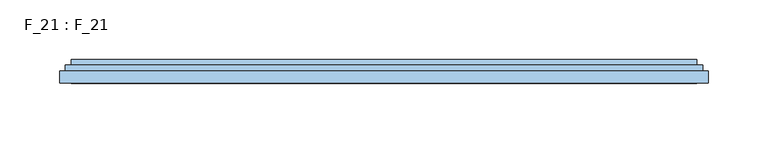
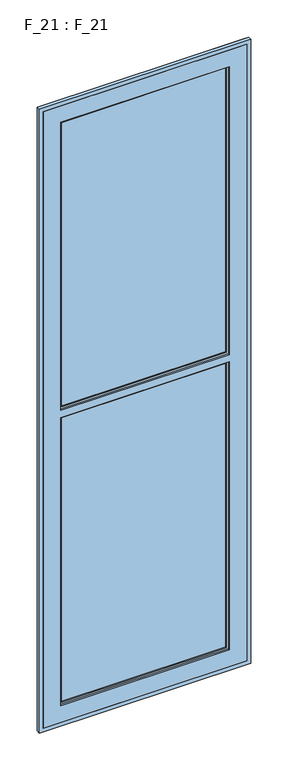
"""IFC4 building model written with IfcOpenShell, lengths in millimetres: window geometry, F_21 : F_21."""

from ifc_helpers import new_model, si_unit, frame, origin, place, context, project, spatial, polyline, outline, extrude, faceted_brep, source, transform, mapped, element, save


def f_21_f_21_17c389b3(model_context):
    return source(origin(), model_context, "Body", "SolidModel", [
        faceted_brep([(-262.5, 105.0, 2460.0), (-262.5, 105.0, 780.0), (-262.5, 100.0, 780.0), (-262.5, 100.0, 2460.0), (262.5, 100.0, 2460.0), (262.5, 105.0, 2460.0), (262.5, 105.0, 780.0), (-217.5, 105.0, 825.0), (217.5, 105.0, 825.0), (217.5, 105.0, 1610.0), (-217.5, 105.0, 1610.0), (-217.5, 105.0, 2415.0), (-217.5, 105.0, 1630.0), (217.5, 105.0, 1630.0), (217.5, 105.0, 2415.0), (262.5, 100.0, 780.0), (267.5, 100.0, 2465.0), (267.5, 100.0, 775.0), (-267.5, 100.0, 775.0), (-267.5, 100.0, 2465.0), (-267.5, 90.0, 775.0), (-267.5, 90.0, 2465.0), (267.5, 90.0, 2465.0), (267.5, 90.0, 775.0), (262.5, 90.0, 2460.0), (262.5, 90.0, 780.0), (-262.5, 90.0, 780.0), (-262.5, 90.0, 2460.0), (-262.5, 85.0, 780.0), (-262.5, 85.0, 2460.0), (262.5, 85.0, 2460.0), (262.5, 85.0, 780.0), (217.5, 85.0, 2415.0), (217.5, 85.0, 1630.0), (-217.5, 85.0, 1630.0), (-217.5, 85.0, 2415.0), (217.5, 85.0, 825.0), (-217.5, 85.0, 825.0), (-217.5, 85.0, 1610.0), (217.5, 85.0, 1610.0), (-217.5, 90.0, 2415.0), (217.5, 90.0, 2415.0), (-212.5, 100.0, 2410.0), (212.5, 100.0, 2410.0), (212.5, 90.0, 2410.0), (-212.5, 90.0, 2410.0), (217.5, 100.0, 2415.0), (-217.5, 100.0, 2415.0), (217.5, 90.0, 1610.0), (217.5, 90.0, 825.0), (217.5, 90.0, 1630.0), (212.5, 100.0, 1635.0), (212.5, 90.0, 1635.0), (212.5, 90.0, 830.0), (212.5, 90.0, 1605.0), (212.5, 100.0, 1605.0), (212.5, 100.0, 830.0), (217.5, 100.0, 1630.0), (217.5, 100.0, 1610.0), (217.5, 100.0, 825.0), (-217.5, 90.0, 825.0), (-212.5, 100.0, 830.0), (-212.5, 90.0, 830.0), (-217.5, 100.0, 825.0), (-217.5, 90.0, 1630.0), (-217.5, 90.0, 1610.0), (-212.5, 90.0, 1605.0), (-212.5, 90.0, 1635.0), (-212.5, 100.0, 1635.0), (-212.5, 100.0, 1605.0), (-217.5, 100.0, 1630.0), (-217.5, 100.0, 1610.0)], [[[0, 1, 2, 3]], [[3, 4, 5, 0]], [[5, 6, 1, 0], [7, 8, 9, 10], [11, 12, 13, 14]], [[4, 15, 6, 5]], [[16, 17, 18, 19], [3, 2, 15, 4]], [[19, 18, 20, 21]], [[21, 22, 16, 19]], [[22, 23, 17, 16]], [[21, 20, 23, 22], [24, 25, 26, 27]], [[27, 26, 28, 29]], [[29, 30, 24, 27]], [[30, 31, 25, 24]], [[29, 28, 31, 30], [32, 33, 34, 35], [36, 37, 38, 39]], [[40, 41, 32, 35]], [[42, 43, 44, 45]], [[11, 14, 46, 47]], [[36, 39, 48, 49]], [[50, 33, 32, 41]], [[43, 51, 52, 44]], [[53, 54, 55, 56]], [[14, 13, 57, 46]], [[58, 9, 8, 59]], [[49, 60, 37, 36]], [[56, 61, 62, 53]], [[8, 7, 63, 59]], [[15, 2, 1, 6]], [[23, 20, 18, 17]], [[31, 28, 26, 25]], [[35, 34, 64, 40]], [[65, 38, 37, 60]], [[49, 48, 65, 60], [53, 62, 66, 54]], [[40, 64, 50, 41], [45, 44, 52, 67]], [[45, 67, 68, 42]], [[61, 69, 66, 62]], [[46, 57, 70, 47], [42, 68, 51, 43]], [[63, 71, 58, 59], [56, 55, 69, 61]], [[7, 10, 71, 63]], [[70, 12, 11, 47]], [[12, 70, 57, 13]], [[52, 51, 68, 67]], [[33, 50, 64, 34]], [[38, 65, 48, 39]], [[66, 69, 55, 54]], [[9, 58, 71, 10]]]),
        extrude(outline(polyline([(212.5, 97.0), (212.5, 93.0), (-212.5, 93.0), (-212.5, 97.0), (212.5, 97.0)])), frame((0.0, 0.0, 1635.0), z_axis=(0.0, 0.0, 1.0), x_axis=(1.0, 0.0, 0.0)), (0.0, 0.0, 1.0), 775.0),
        faceted_brep([(272.5, 95.0, 770.0), (272.5, 95.0, 2470.0), (272.5, 85.0, 2470.0), (272.5, 85.0, 770.0), (-272.5, 85.0, 770.0), (-272.5, 85.0, 2470.0), (262.5, 85.0, 780.0), (-262.5, 85.0, 780.0), (-262.5, 85.0, 2460.0), (262.5, 85.0, 2460.0), (-272.5, 95.0, 2470.0), (-272.5, 95.0, 770.0), (-267.5, 95.0, 775.0), (267.5, 95.0, 775.0), (267.5, 95.0, 2465.0), (-267.5, 95.0, 2465.0), (267.5, 90.0, 775.0), (267.5, 90.0, 2465.0), (-267.5, 90.0, 2465.0), (-267.5, 90.0, 775.0), (-262.5, 90.0, 780.0), (262.5, 90.0, 780.0), (262.5, 90.0, 2460.0), (-262.5, 90.0, 2460.0)], [[[0, 1, 2, 3]], [[4, 3, 2, 5], [6, 7, 8, 9]], [[1, 10, 5, 2]], [[0, 11, 10, 1], [12, 13, 14, 15]], [[16, 17, 14, 13]], [[17, 18, 15, 14]], [[16, 19, 18, 17], [20, 21, 22, 23]], [[6, 9, 22, 21]], [[9, 8, 23, 22]], [[10, 11, 4, 5]], [[18, 19, 12, 15]], [[8, 7, 20, 23]], [[11, 0, 3, 4]], [[19, 16, 13, 12]], [[7, 6, 21, 20]]]),
        extrude(outline(polyline([(212.5, 97.0), (212.5, 93.0), (-212.5, 93.0), (-212.5, 97.0), (212.5, 97.0)])), frame((0.0, 0.0, 830.0), z_axis=(0.0, 0.0, 1.0), x_axis=(1.0, 0.0, 0.0)), (0.0, 0.0, 1.0), 775.0),
    ])


if __name__ == "__main__":
    model = new_model("IFC4")
    model_context = context("Model", 3, world=origin())
    ifc_project = project(units=[si_unit("LENGTHUNIT", "METRE", prefix="MILLI")], contexts=[model_context])
    site = spatial("IfcSite", under=ifc_project)
    building = spatial("IfcBuilding", under=site)
    placement = place(None, origin())
    f_21_f_21_shape = f_21_f_21_17c389b3(model_context)
    element("IfcWindow", 1, ObjectType="F_21 : F_21", at=placement, inside=building, context=model_context, shape_type="MappedRepresentation", body=[
        mapped(f_21_f_21_shape, transform((0.0, 0.0, 0.0), x_axis=(1.0, 0.0, 0.0), y_axis=(0.0, 1.0, 0.0), z_axis=(0.0, 0.0, 1.0))),
    ])
    save(model, "model.ifc")
